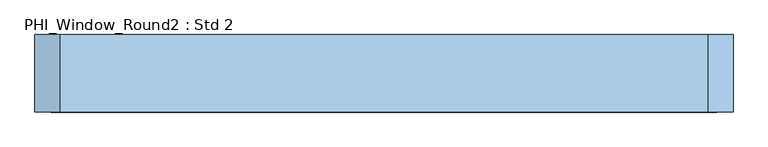
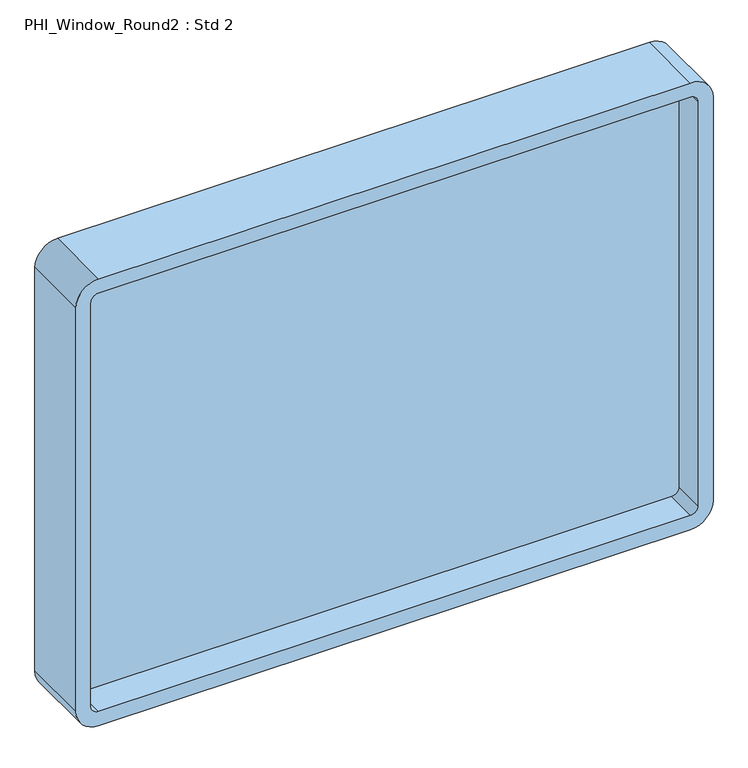
"""IFC4 building model written with IfcOpenShell, lengths in millimetres: window geometry, PHI_Window_Round2 : Std 2."""

from ifc_helpers import new_model, si_unit, point, frame, frame_2d, origin, place, context, project, spatial, polyline, circle_curve, trimmed, segment, composite_curve, outline, extrude, source, transform, mapped, element, save


def phi_window_round2_std_2_ef6cf239(model_context):
    return source(origin(), model_context, "Body", "SweptSolid", [
        extrude(outline(composite_curve([segment(polyline([(1915.0, 627.0), (1915.0, -627.0)]), True, "CONTINUOUS"), segment(trimmed(circle_curve(frame_2d((1867.0, -627.0)), 48.0), [point((1915.0, -627.0))], [point((1867.0, -675.0))], False, "CARTESIAN"), True, "CONTINUOUS"), segment(polyline([(1867.0, -675.0), (963.0, -675.0)]), True, "CONTINUOUS"), segment(trimmed(circle_curve(frame_2d((963.0, -627.0)), 48.0), [point((963.0, -675.0))], [point((915.0, -627.0))], False, "CARTESIAN"), True, "CONTINUOUS"), segment(polyline([(915.0, -627.0), (915.0, 627.0)]), True, "CONTINUOUS"), segment(trimmed(circle_curve(frame_2d((963.0, 627.0)), 48.0), [point((915.0, 627.0))], [point((963.0, 675.0))], False, "CARTESIAN"), True, "CONTINUOUS"), segment(polyline([(963.0, 675.0), (1867.0, 675.0)]), True, "CONTINUOUS"), segment(trimmed(circle_curve(frame_2d((1867.0, 627.0)), 48.0), [point((1867.0, 675.0))], [point((1915.0, 627.0))], False, "CARTESIAN"), True, "CONTINUOUS")], self_intersect=False), holes=[composite_curve([segment(polyline([(963.0, -643.0), (1867.0, -643.0)]), True, "CONTINUOUS"), segment(trimmed(circle_curve(frame_2d((1867.0, -627.0)), 16.0), [point((1867.0, -643.0))], [point((1883.0, -627.0))], True, "CARTESIAN"), True, "CONTINUOUS"), segment(polyline([(1883.0, -627.0), (1883.0, 627.0)]), True, "CONTINUOUS"), segment(trimmed(circle_curve(frame_2d((1867.0, 627.0)), 16.0), [point((1883.0, 627.0))], [point((1867.0, 643.0))], True, "CARTESIAN"), True, "CONTINUOUS"), segment(polyline([(1867.0, 643.0), (963.0, 643.0)]), True, "CONTINUOUS"), segment(trimmed(circle_curve(frame_2d((963.0, 627.0)), 16.0), [point((963.0, 643.0))], [point((947.0, 627.0))], True, "CARTESIAN"), True, "CONTINUOUS"), segment(polyline([(947.0, 627.0), (947.0, -627.0)]), True, "CONTINUOUS"), segment(trimmed(circle_curve(frame_2d((963.0, -627.0)), 16.0), [point((947.0, -627.0))], [point((963.0, -643.0))], True, "CARTESIAN"), True, "CONTINUOUS")], self_intersect=False)]), frame((0.0, -62.0, 0.0), z_axis=(0.0, 1.0, 0.0), x_axis=(0.0, 0.0, 1.0)), (0.0, 0.0, 1.0), 150.0),
        extrude(outline(polyline([(-656.0, 19.0), (656.0, 19.0), (656.0, 7.0), (-656.0, 7.0), (-656.0, 19.0)])), frame((0.0, 0.0, 934.0), z_axis=(0.0, 0.0, 1.0), x_axis=(1.0, 0.0, 0.0)), (0.0, 0.0, 1.0), 962.0),
    ])


if __name__ == "__main__":
    model = new_model("IFC4")
    model_context = context("Model", 3, world=origin())
    ifc_project = project(units=[si_unit("LENGTHUNIT", "METRE", prefix="MILLI")], contexts=[model_context])
    site = spatial("IfcSite", under=ifc_project)
    building = spatial("IfcBuilding", under=site)
    placement = place(None, origin())
    phi_window_round2_std_2_shape = phi_window_round2_std_2_ef6cf239(model_context)
    element("IfcWindow", 1, ObjectType="PHI_Window_Round2 : Std 2", at=placement, inside=building, context=model_context, shape_type="MappedRepresentation", body=[
        mapped(phi_window_round2_std_2_shape, transform((0.0, 0.0, 0.0), x_axis=(1.0, 0.0, 0.0), y_axis=(0.0, 1.0, 0.0), z_axis=(0.0, 0.0, 1.0))),
    ])
    save(model, "model.ifc")
